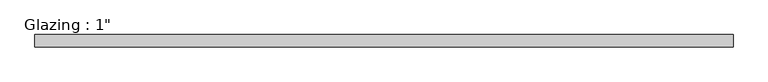
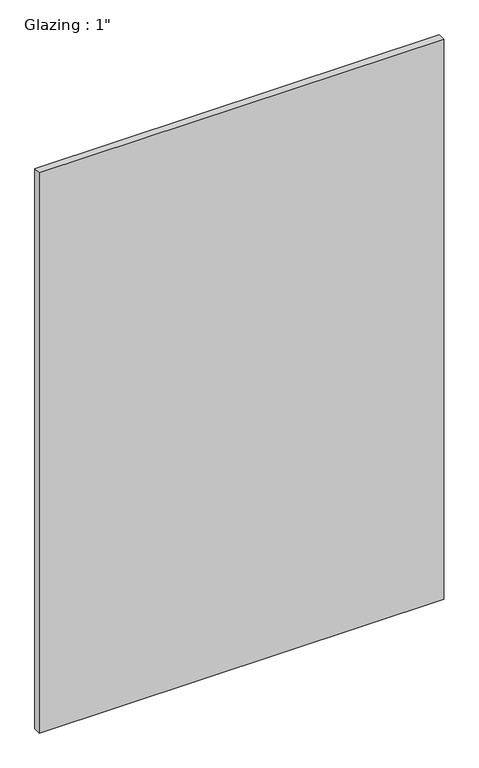
"""IFC4 building model written with IfcOpenShell, lengths in millimetres: plate geometry."""

from ifc_helpers import new_model, si_unit, origin, origin_with_axes, place, context, project, spatial, polyline, outline, extrude, source, transform, mapped, element, save


def plate_1ff849d3(model_context):
    return source(origin(), model_context, "Body", "SweptSolid", [
        extrude(outline(polyline([(715.4631955, -12.7), (-715.4631955, -12.7), (-715.4631955, 12.7), (715.4631955, 12.7), (715.4631955, -12.7)])), origin_with_axes(), (0.0, 0.0, 1.0), 2094.5427636),
    ])


if __name__ == "__main__":
    model = new_model("IFC4")
    model_context = context("Model", 3, world=origin())
    ifc_project = project(units=[si_unit("LENGTHUNIT", "METRE", prefix="MILLI")], contexts=[model_context])
    site = spatial("IfcSite", under=ifc_project)
    building = spatial("IfcBuilding", under=site)
    placement = place(None, origin())
    plate_shape = plate_1ff849d3(model_context)
    element("IfcPlate", 1, ObjectType="Glazing : 1\"", at=placement, inside=building, context=model_context, shape_type="MappedRepresentation", body=[
        mapped(plate_shape, transform((0.0, 0.0, 0.0), x_axis=(1.0, 0.0, 0.0), y_axis=(0.0, 1.0, 0.0), z_axis=(0.0, 0.0, 1.0))),
    ])
    save(model, "model.ifc")
